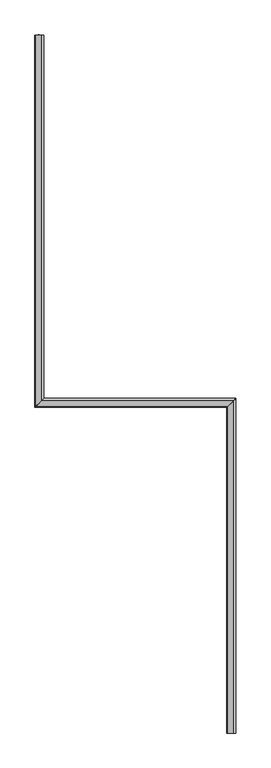
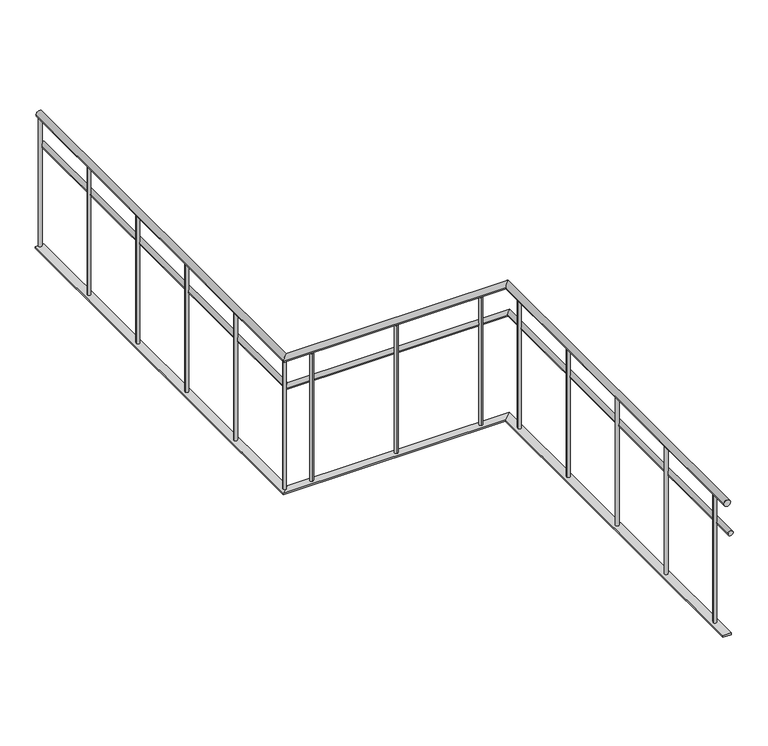
"""IFC4 building model written with IfcOpenShell, lengths in millimetres: railing geometry."""

from ifc_helpers import new_model, si_unit, point, frame, frame_2d, origin, place, context, project, spatial, circle_curve, ellipse_curve, trimmed, segment, composite_curve, outline, extrude, faceted_brep, source, transform, mapped, element, save
from ifc_brep_helpers import plane_surface, cylinder_surface, advanced_brep


def railing_77e4d718(model_context):
    return source(origin(), model_context, "Body", "SolidModel", [
        advanced_brep(
        [(-42220.9937665, 5668.1079487, 880.0), (-42180.9937665, 5668.1079487, 880.0), (-42180.9937665, 3173.1270954, 880.0), (-42220.9937665, 3133.1270954, 880.0), (-40869.9887159, 3173.1270954, 880.0), (-40909.9887159, 3133.1270954, 880.0), (-40909.9887159, 903.1079487, 880.0), (-40869.9887159, 903.1079487, 880.0)],
        [
            (0, 1, circle_curve(frame((-42200.9937665, 5668.1079487, 880.0), z_axis=(0.0, 1.0, 0.0), x_axis=(1.0, 0.0, 0.0)), 20.0)),
            (1, 0, circle_curve(frame((-42200.9937665, 5668.1079487, 880.0), z_axis=(0.0, 1.0, 0.0), x_axis=(1.0, 0.0, 0.0)), 20.0)),
            (1, 2),
            (2, 3, ellipse_curve(frame((-42200.9937665, 3153.1270954, 880.0), z_axis=(-0.7071067811865462, 0.7071067811865487, 0.0), x_axis=(0.7071067811865486, 0.7071067811865464, 0.0)), 28.2842712, 20.0)),
            (3, 0),
            (3, 2, ellipse_curve(frame((-42200.9937665, 3153.1270954, 880.0), z_axis=(-0.7071067811865462, 0.7071067811865487, 0.0), x_axis=(0.7071067811865486, 0.7071067811865464, 0.0)), 28.2842712, 20.0)),
            (2, 4),
            (4, 5, ellipse_curve(frame((-40889.9887159, 3153.1270954, 880.0), z_axis=(-0.7071067811865488, 0.7071067811865462, 0.0), x_axis=(-0.7071067811865462, -0.7071067811865488, 0.0)), 28.2842712, 20.0)),
            (5, 3),
            (5, 4, ellipse_curve(frame((-40889.9887159, 3153.1270954, 880.0), z_axis=(-0.7071067811865488, 0.7071067811865462, 0.0), x_axis=(-0.7071067811865462, -0.7071067811865488, 0.0)), 28.2842712, 20.0)),
            (6, 7, circle_curve(frame((-40889.9887159, 903.1079487, 880.0), z_axis=(0.0, -1.0, 0.0), x_axis=(1.0, 0.0, 0.0)), 20.0)),
            (7, 6, circle_curve(frame((-40889.9887159, 903.1079487, 880.0), z_axis=(0.0, -1.0, 0.0), x_axis=(1.0, 0.0, 0.0)), 20.0)),
            (4, 7),
            (6, 5),
        ],
        [
            plane_surface(frame((-42200.9937665, 5668.1079487, 900.0), z_axis=(0.0, 1.0, 0.0), x_axis=(0.0, 0.0, -1.0))),
            cylinder_surface(frame((-42200.9937665, 5668.1079487, 880.0), z_axis=(0.0, 1.0, 0.0), x_axis=(1.0, 0.0, 0.0)), 20.0),
            cylinder_surface(frame((-42200.9937665, 3153.1270954, 880.0), z_axis=(-1.0, 0.0, 0.0), x_axis=(0.0, 1.0, 0.0)), 20.0),
            plane_surface(frame((-40889.9887159, 903.1079487, 900.0), z_axis=(0.0, -1.0, 0.0), x_axis=(0.0, 0.0, -1.0))),
            cylinder_surface(frame((-40889.9887159, 3153.1270954, 880.0), z_axis=(0.0, 1.0, 0.0), x_axis=(1.0, 0.0, 0.0)), 20.0),
        ],
        [
            (0, [[1, 2]]),
            (1, [[-2, 3, 4, 5]]),
            (1, [[-1, -5, 6, -3]]),
            (2, [[-4, 7, 8, 9]]),
            (2, [[-6, -9, 10, -7]]),
            (3, [[11, 12]]),
            (4, [[-8, 13, -11, 14]]),
            (4, [[-10, -14, -12, -13]]),
        ],
    ),
        advanced_brep(
        [(-42195.9937665, 5668.1079487, 685.0), (-42165.9937665, 5668.1079487, 685.0), (-42165.9937665, 3188.1270954, 685.0), (-42195.9937665, 3158.1270954, 685.0), (-40854.9887159, 3188.1270954, 685.0), (-40884.9887159, 3158.1270954, 685.0), (-40884.9887159, 903.1079487, 685.0), (-40854.9887159, 903.1079487, 685.0)],
        [
            (0, 1, circle_curve(frame((-42180.9937665, 5668.1079487, 685.0), z_axis=(0.0, 1.0, 0.0), x_axis=(1.0, 0.0, 0.0)), 15.0)),
            (1, 0, circle_curve(frame((-42180.9937665, 5668.1079487, 685.0), z_axis=(0.0, 1.0, 0.0), x_axis=(1.0, 0.0, 0.0)), 15.0)),
            (1, 2),
            (2, 3, ellipse_curve(frame((-42180.9937665, 3173.1270954, 685.0), z_axis=(-0.7071067811865462, 0.7071067811865487, 0.0), x_axis=(0.7071067811865486, 0.7071067811865464, 0.0)), 21.2132034, 15.0)),
            (3, 0),
            (3, 2, ellipse_curve(frame((-42180.9937665, 3173.1270954, 685.0), z_axis=(-0.7071067811865462, 0.7071067811865487, 0.0), x_axis=(0.7071067811865486, 0.7071067811865464, 0.0)), 21.2132034, 15.0)),
            (2, 4),
            (4, 5, ellipse_curve(frame((-40869.9887159, 3173.1270954, 685.0), z_axis=(-0.7071067811865488, 0.7071067811865462, 0.0), x_axis=(-0.7071067811865462, -0.7071067811865488, 0.0)), 21.2132034, 15.0)),
            (5, 3),
            (5, 4, ellipse_curve(frame((-40869.9887159, 3173.1270954, 685.0), z_axis=(-0.7071067811865488, 0.7071067811865462, 0.0), x_axis=(-0.7071067811865462, -0.7071067811865488, 0.0)), 21.2132034, 15.0)),
            (6, 7, circle_curve(frame((-40869.9887159, 903.1079487, 685.0), z_axis=(0.0, -1.0, 0.0), x_axis=(1.0, 0.0, 0.0)), 15.0)),
            (7, 6, circle_curve(frame((-40869.9887159, 903.1079487, 685.0), z_axis=(0.0, -1.0, 0.0), x_axis=(1.0, 0.0, 0.0)), 15.0)),
            (4, 7),
            (6, 5),
        ],
        [
            plane_surface(frame((-42180.9937665, 5668.1079487, 700.0), z_axis=(0.0, 1.0, 0.0), x_axis=(0.0, 0.0, -1.0))),
            cylinder_surface(frame((-42180.9937665, 5668.1079487, 685.0), z_axis=(0.0, 1.0, 0.0), x_axis=(1.0, 0.0, 0.0)), 15.0),
            cylinder_surface(frame((-42180.9937665, 3173.1270954, 685.0), z_axis=(-1.0, 0.0, 0.0), x_axis=(0.0, 1.0, 0.0)), 15.0),
            plane_surface(frame((-40869.9887159, 903.1079487, 700.0), z_axis=(0.0, -1.0, 0.0), x_axis=(0.0, 0.0, -1.0))),
            cylinder_surface(frame((-40869.9887159, 3173.1270954, 685.0), z_axis=(0.0, 1.0, 0.0), x_axis=(1.0, 0.0, 0.0)), 15.0),
        ],
        [
            (0, [[1, 2]]),
            (1, [[-2, 3, 4, 5]]),
            (1, [[-1, -5, 6, -3]]),
            (2, [[-4, 7, 8, 9]]),
            (2, [[-6, -9, 10, -7]]),
            (3, [[11, 12]]),
            (4, [[-8, 13, -11, 14]]),
            (4, [[-10, -14, -12, -13]]),
        ],
    ),
        faceted_brep([(-42175.9937665, 5668.1079487, 60.0), (-42175.9937665, 5668.1079487, 50.0), (-42225.9937665, 5668.1079487, 50.0), (-42225.9937665, 5668.1079487, 60.0), (-42225.9937665, 3128.1270954, 60.0), (-42175.9937665, 3178.1270954, 60.0), (-42225.9937665, 3128.1270954, 50.0), (-42175.9937665, 3178.1270954, 50.0), (-40914.9887159, 3128.1270954, 60.0), (-40864.9887159, 3178.1270954, 60.0), (-40914.9887159, 3128.1270954, 50.0), (-40864.9887159, 3178.1270954, 50.0), (-40864.9887159, 903.1079487, 60.0), (-40914.9887159, 903.1079487, 60.0), (-40914.9887159, 903.1079487, 50.0), (-40864.9887159, 903.1079487, 50.0)], [[[0, 1, 2, 3]], [[0, 3, 4, 5]], [[3, 2, 6, 4]], [[2, 1, 7, 6]], [[1, 0, 5, 7]], [[5, 4, 8, 9]], [[4, 6, 10, 8]], [[6, 7, 11, 10]], [[7, 5, 9, 11]], [[12, 13, 14, 15]], [[9, 8, 13, 12]], [[8, 10, 14, 13]], [[10, 11, 15, 14]], [[11, 9, 12, 15]]]),
        extrude(outline(composite_curve([segment(trimmed(circle_curve(frame_2d((-40889.9887159, 1028.117522)), 10.0), [point((-40899.9887159, 1028.117522))], [point((-40879.9887159, 1028.117522))], False, "CARTESIAN"), True, "CONTINUOUS"), segment(trimmed(circle_curve(frame_2d((-40889.9887159, 1028.117522)), 10.0), [point((-40879.9887159, 1028.117522))], [point((-40899.9887159, 1028.117522))], False, "CARTESIAN"), True, "CONTINUOUS")], self_intersect=False)), frame((0.0, 0.0, 60.0), z_axis=(0.0, 0.0, 1.0), x_axis=(1.0, 0.0, 0.0)), (0.0, 0.0, 1.0), 800.0),
        extrude(outline(composite_curve([segment(trimmed(circle_curve(frame_2d((-40889.9887159, 1528.117522)), 10.0), [point((-40899.9887159, 1528.117522))], [point((-40879.9887159, 1528.117522))], False, "CARTESIAN"), True, "CONTINUOUS"), segment(trimmed(circle_curve(frame_2d((-40889.9887159, 1528.117522)), 10.0), [point((-40879.9887159, 1528.117522))], [point((-40899.9887159, 1528.117522))], False, "CARTESIAN"), True, "CONTINUOUS")], self_intersect=False)), frame((0.0, 0.0, 60.0), z_axis=(0.0, 0.0, 1.0), x_axis=(1.0, 0.0, 0.0)), (0.0, 0.0, 1.0), 800.0),
        extrude(outline(composite_curve([segment(trimmed(circle_curve(frame_2d((-40889.9887159, 2028.117522)), 10.0), [point((-40899.9887159, 2028.117522))], [point((-40879.9887159, 2028.117522))], False, "CARTESIAN"), True, "CONTINUOUS"), segment(trimmed(circle_curve(frame_2d((-40889.9887159, 2028.117522)), 10.0), [point((-40879.9887159, 2028.117522))], [point((-40899.9887159, 2028.117522))], False, "CARTESIAN"), True, "CONTINUOUS")], self_intersect=False)), frame((0.0, 0.0, 60.0), z_axis=(0.0, 0.0, 1.0), x_axis=(1.0, 0.0, 0.0)), (0.0, 0.0, 1.0), 800.0),
        extrude(outline(composite_curve([segment(trimmed(circle_curve(frame_2d((-40889.9887159, 2528.117522)), 10.0), [point((-40899.9887159, 2528.117522))], [point((-40879.9887159, 2528.117522))], False, "CARTESIAN"), True, "CONTINUOUS"), segment(trimmed(circle_curve(frame_2d((-40889.9887159, 2528.117522)), 10.0), [point((-40879.9887159, 2528.117522))], [point((-40899.9887159, 2528.117522))], False, "CARTESIAN"), True, "CONTINUOUS")], self_intersect=False)), frame((0.0, 0.0, 60.0), z_axis=(0.0, 0.0, 1.0), x_axis=(1.0, 0.0, 0.0)), (0.0, 0.0, 1.0), 800.0),
        extrude(outline(composite_curve([segment(trimmed(circle_curve(frame_2d((-40889.9887159, 3028.117522)), 10.0), [point((-40899.9887159, 3028.117522))], [point((-40879.9887159, 3028.117522))], False, "CARTESIAN"), True, "CONTINUOUS"), segment(trimmed(circle_curve(frame_2d((-40889.9887159, 3028.117522)), 10.0), [point((-40879.9887159, 3028.117522))], [point((-40899.9887159, 3028.117522))], False, "CARTESIAN"), True, "CONTINUOUS")], self_intersect=False)), frame((0.0, 0.0, 60.0), z_axis=(0.0, 0.0, 1.0), x_axis=(1.0, 0.0, 0.0)), (0.0, 0.0, 1.0), 800.0),
        extrude(outline(composite_curve([segment(trimmed(circle_curve(frame_2d((-41045.4912412, 3153.1270954)), 10.0), [point((-41045.4912412, 3143.1270954))], [point((-41045.4912412, 3163.1270954))], False, "CARTESIAN"), True, "CONTINUOUS"), segment(trimmed(circle_curve(frame_2d((-41045.4912412, 3153.1270954)), 10.0), [point((-41045.4912412, 3163.1270954))], [point((-41045.4912412, 3143.1270954))], False, "CARTESIAN"), True, "CONTINUOUS")], self_intersect=False)), frame((0.0, 0.0, 60.0), z_axis=(0.0, 0.0, 1.0), x_axis=(1.0, 0.0, 0.0)), (0.0, 0.0, 1.0), 800.0),
        extrude(outline(composite_curve([segment(trimmed(circle_curve(frame_2d((-41545.4912412, 3153.1270954)), 10.0), [point((-41545.4912412, 3143.1270954))], [point((-41545.4912412, 3163.1270954))], False, "CARTESIAN"), True, "CONTINUOUS"), segment(trimmed(circle_curve(frame_2d((-41545.4912412, 3153.1270954)), 10.0), [point((-41545.4912412, 3163.1270954))], [point((-41545.4912412, 3143.1270954))], False, "CARTESIAN"), True, "CONTINUOUS")], self_intersect=False)), frame((0.0, 0.0, 60.0), z_axis=(0.0, 0.0, 1.0), x_axis=(1.0, 0.0, 0.0)), (0.0, 0.0, 1.0), 800.0),
        extrude(outline(composite_curve([segment(trimmed(circle_curve(frame_2d((-42045.4912412, 3153.1270954)), 10.0), [point((-42045.4912412, 3143.1270954))], [point((-42045.4912412, 3163.1270954))], False, "CARTESIAN"), True, "CONTINUOUS"), segment(trimmed(circle_curve(frame_2d((-42045.4912412, 3153.1270954)), 10.0), [point((-42045.4912412, 3163.1270954))], [point((-42045.4912412, 3143.1270954))], False, "CARTESIAN"), True, "CONTINUOUS")], self_intersect=False)), frame((0.0, 0.0, 60.0), z_axis=(0.0, 0.0, 1.0), x_axis=(1.0, 0.0, 0.0)), (0.0, 0.0, 1.0), 800.0),
        extrude(outline(composite_curve([segment(trimmed(circle_curve(frame_2d((-42200.9937665, 3160.617522)), 10.0), [point((-42210.9937665, 3160.617522))], [point((-42190.9937665, 3160.617522))], False, "CARTESIAN"), True, "CONTINUOUS"), segment(trimmed(circle_curve(frame_2d((-42200.9937665, 3160.617522)), 10.0), [point((-42190.9937665, 3160.617522))], [point((-42210.9937665, 3160.617522))], False, "CARTESIAN"), True, "CONTINUOUS")], self_intersect=False)), frame((0.0, 0.0, 60.0), z_axis=(0.0, 0.0, 1.0), x_axis=(1.0, 0.0, 0.0)), (0.0, 0.0, 1.0), 800.0),
        extrude(outline(composite_curve([segment(trimmed(circle_curve(frame_2d((-42200.9937665, 3660.617522)), 10.0), [point((-42210.9937665, 3660.617522))], [point((-42190.9937665, 3660.617522))], False, "CARTESIAN"), True, "CONTINUOUS"), segment(trimmed(circle_curve(frame_2d((-42200.9937665, 3660.617522)), 10.0), [point((-42190.9937665, 3660.617522))], [point((-42210.9937665, 3660.617522))], False, "CARTESIAN"), True, "CONTINUOUS")], self_intersect=False)), frame((0.0, 0.0, 60.0), z_axis=(0.0, 0.0, 1.0), x_axis=(1.0, 0.0, 0.0)), (0.0, 0.0, 1.0), 800.0),
        extrude(outline(composite_curve([segment(trimmed(circle_curve(frame_2d((-42200.9937665, 4160.617522)), 10.0), [point((-42210.9937665, 4160.617522))], [point((-42190.9937665, 4160.617522))], False, "CARTESIAN"), True, "CONTINUOUS"), segment(trimmed(circle_curve(frame_2d((-42200.9937665, 4160.617522)), 10.0), [point((-42190.9937665, 4160.617522))], [point((-42210.9937665, 4160.617522))], False, "CARTESIAN"), True, "CONTINUOUS")], self_intersect=False)), frame((0.0, 0.0, 60.0), z_axis=(0.0, 0.0, 1.0), x_axis=(1.0, 0.0, 0.0)), (0.0, 0.0, 1.0), 800.0),
        extrude(outline(composite_curve([segment(trimmed(circle_curve(frame_2d((-42200.9937665, 4660.617522)), 10.0), [point((-42210.9937665, 4660.617522))], [point((-42190.9937665, 4660.617522))], False, "CARTESIAN"), True, "CONTINUOUS"), segment(trimmed(circle_curve(frame_2d((-42200.9937665, 4660.617522)), 10.0), [point((-42190.9937665, 4660.617522))], [point((-42210.9937665, 4660.617522))], False, "CARTESIAN"), True, "CONTINUOUS")], self_intersect=False)), frame((0.0, 0.0, 60.0), z_axis=(0.0, 0.0, 1.0), x_axis=(1.0, 0.0, 0.0)), (0.0, 0.0, 1.0), 800.0),
        extrude(outline(composite_curve([segment(trimmed(circle_curve(frame_2d((-42200.9937665, 5160.617522)), 10.0), [point((-42210.9937665, 5160.617522))], [point((-42190.9937665, 5160.617522))], False, "CARTESIAN"), True, "CONTINUOUS"), segment(trimmed(circle_curve(frame_2d((-42200.9937665, 5160.617522)), 10.0), [point((-42190.9937665, 5160.617522))], [point((-42210.9937665, 5160.617522))], False, "CARTESIAN"), True, "CONTINUOUS")], self_intersect=False)), frame((0.0, 0.0, 60.0), z_axis=(0.0, 0.0, 1.0), x_axis=(1.0, 0.0, 0.0)), (0.0, 0.0, 1.0), 800.0),
        extrude(outline(composite_curve([segment(trimmed(circle_curve(frame_2d((-42200.9937665, 5660.617522)), 10.0), [point((-42210.9937665, 5660.617522))], [point((-42190.9937665, 5660.617522))], False, "CARTESIAN"), True, "CONTINUOUS"), segment(trimmed(circle_curve(frame_2d((-42200.9937665, 5660.617522)), 10.0), [point((-42190.9937665, 5660.617522))], [point((-42210.9937665, 5660.617522))], False, "CARTESIAN"), True, "CONTINUOUS")], self_intersect=False)), frame((0.0, 0.0, 60.0), z_axis=(0.0, 0.0, 1.0), x_axis=(1.0, 0.0, 0.0)), (0.0, 0.0, 1.0), 800.0),
    ])


if __name__ == "__main__":
    model = new_model("IFC4")
    model_context = context("Model", 3, world=origin())
    ifc_project = project(units=[si_unit("LENGTHUNIT", "METRE", prefix="MILLI")], contexts=[model_context])
    site = spatial("IfcSite", under=ifc_project)
    building = spatial("IfcBuilding", under=site)
    placement = place(None, origin())
    railing_shape = railing_77e4d718(model_context)
    element("IfcRailing", 1, at=placement, inside=building, context=model_context, shape_type="MappedRepresentation", body=[
        mapped(railing_shape, transform((0.0, 0.0, 0.0), x_axis=(1.0, 0.0, 0.0), y_axis=(0.0, 1.0, 0.0), z_axis=(0.0, 0.0, 1.0))),
    ])
    save(model, "model.ifc")
